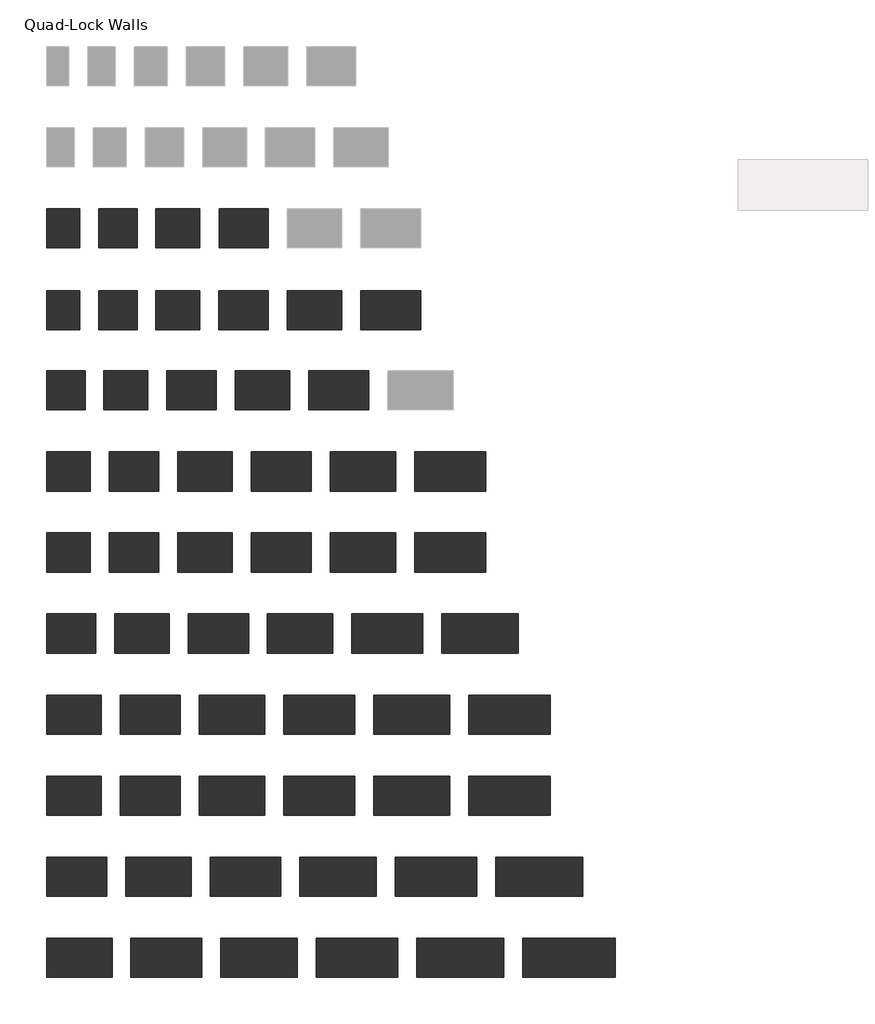
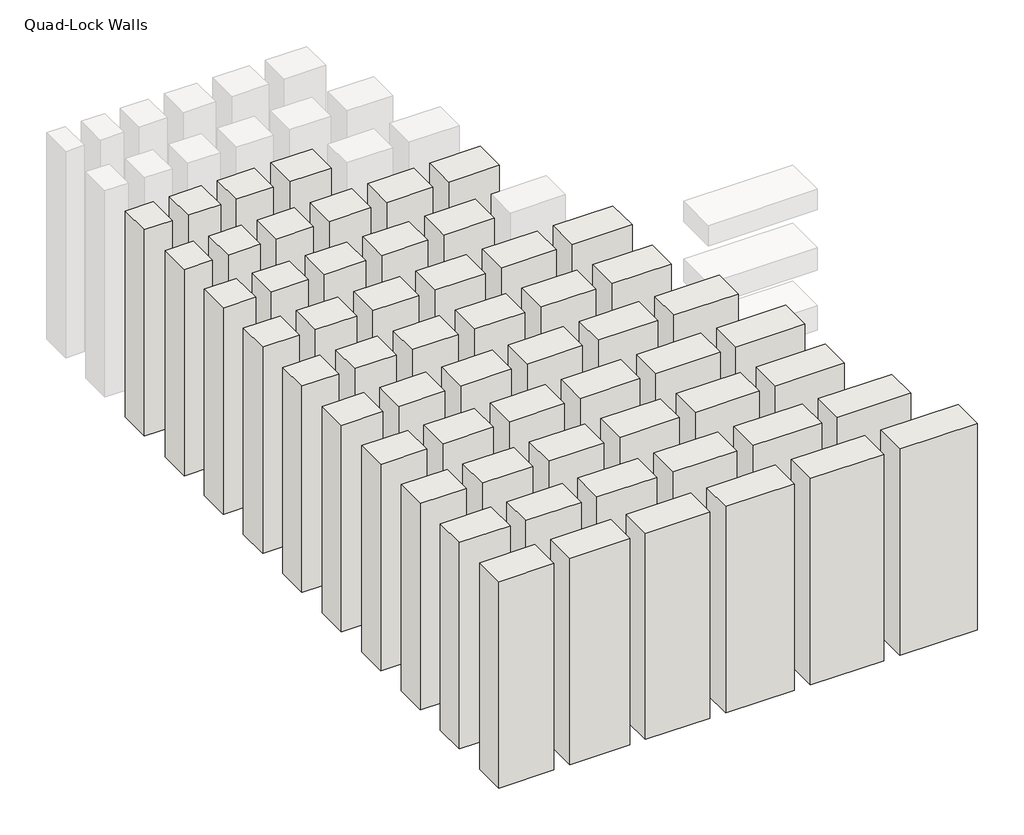
# One storey, part 1 of 2: 57 walls.
"""IFC4 building model written with IfcOpenShell, lengths in millimetres."""

from ifc_helpers import new_model, si_unit, origin, origin_with_axes, place, context, project, spatial, polyline, outline, extrude, element, save

model = new_model("IFC4")

# Units and contexts
model_context = context("Model", 3, world=origin())
ifc_project = project(units=[si_unit("LENGTHUNIT", "METRE", prefix="MILLI")], contexts=[model_context])

# Site, building, storey
site = spatial("IfcSite", under=ifc_project)
building = spatial("IfcBuilding", under=site)
storey = spatial("IfcBuildingStorey", under=building, Name="Quad-Lock Walls", Elevation=0.0)

# Walls
placement = place(None, origin())
element("IfcWall", 1, at=placement, inside=storey, context=model_context, shape_type="SweptSolid", body=[
    extrude(outline(polyline([(-3259.1237403, 1007.0746822), (-3259.1237403, 1375.3746822), (-2947.9737403, 1375.3746822), (-2947.9737403, 1007.0746822), (-3259.1237403, 1007.0746822)])), origin_with_axes(), (0.0, 0.0, 1.0), 2438.4),
])
element("IfcWall", 2, at=placement, inside=storey, context=model_context, shape_type="SweptSolid", body=[
    extrude(outline(polyline([(-2770.1737403, 1007.0746822), (-2770.1737403, 1375.3746822), (-2408.2237403, 1375.3746822), (-2408.2237403, 1007.0746822), (-2770.1737403, 1007.0746822)])), origin_with_axes(), (0.0, 0.0, 1.0), 2438.4),
])
element("IfcWall", 3, at=placement, inside=storey, context=model_context, shape_type="SweptSolid", body=[
    extrude(outline(polyline([(-2230.4237403, 1007.0746822), (-2230.4237403, 1375.3746822), (-1817.6737403, 1375.3746822), (-1817.6737403, 1007.0746822), (-2230.4237403, 1007.0746822)])), origin_with_axes(), (0.0, 0.0, 1.0), 2438.4),
])
element("IfcWall", 4, at=placement, inside=storey, context=model_context, shape_type="SweptSolid", body=[
    extrude(outline(polyline([(-1639.8737403, 1007.0746822), (-1639.8737403, 1375.3746822), (-1176.3237403, 1375.3746822), (-1176.3237403, 1007.0746822), (-1639.8737403, 1007.0746822)])), origin_with_axes(), (0.0, 0.0, 1.0), 2438.4),
])
element("IfcWall", 5, at=placement, inside=storey, context=model_context, shape_type="SweptSolid", body=[
    extrude(outline(polyline([(-998.5237403, 1007.0746822), (-998.5237403, 1375.3746822), (-484.1737403, 1375.3746822), (-484.1737403, 1007.0746822), (-998.5237403, 1007.0746822)])), origin_with_axes(), (0.0, 0.0, 1.0), 2438.4),
])
element("IfcWall", 6, at=placement, inside=storey, context=model_context, shape_type="SweptSolid", body=[
    extrude(outline(polyline([(-306.3737403, 1007.0746822), (-306.3737403, 1375.3746822), (258.7762597, 1375.3746822), (258.7762597, 1007.0746822), (-306.3737403, 1007.0746822)])), origin_with_axes(), (0.0, 0.0, 1.0), 2438.4),
])
element("IfcWall", 7, at=placement, inside=storey, context=model_context, shape_type="SweptSolid", body=[
    extrude(outline(polyline([(-3259.1237403, 1779.0390453), (-3259.1237403, 2147.3390453), (-2947.9737403, 2147.3390453), (-2947.9737403, 1779.0390453), (-3259.1237403, 1779.0390453)])), origin_with_axes(), (0.0, 0.0, 1.0), 2438.4),
])
element("IfcWall", 8, at=placement, inside=storey, context=model_context, shape_type="SweptSolid", body=[
    extrude(outline(polyline([(-2770.1737403, 1779.0390453), (-2770.1737403, 2147.3390453), (-2408.2237403, 2147.3390453), (-2408.2237403, 1779.0390453), (-2770.1737403, 1779.0390453)])), origin_with_axes(), (0.0, 0.0, 1.0), 2438.4),
])
element("IfcWall", 9, at=placement, inside=storey, context=model_context, shape_type="SweptSolid", body=[
    extrude(outline(polyline([(-2232.1518529, 1779.0390453), (-2232.1518529, 2147.3390453), (-1819.4018529, 2147.3390453), (-1819.4018529, 1779.0390453), (-2232.1518529, 1779.0390453)])), origin_with_axes(), (0.0, 0.0, 1.0), 2438.4),
])
element("IfcWall", 10, at=placement, inside=storey, context=model_context, shape_type="SweptSolid", body=[
    extrude(outline(polyline([(-1636.7697839, 1779.0390453), (-1636.7697839, 2147.3390453), (-1173.2197839, 2147.3390453), (-1173.2197839, 1779.0390453), (-1636.7697839, 1779.0390453)])), origin_with_axes(), (0.0, 0.0, 1.0), 2438.4),
])
element("IfcWall", 11, at=placement, inside=storey, context=model_context, shape_type="SweptSolid", body=[
    extrude(outline(polyline([(-3259.1237403, 255.0390453), (-3259.1237403, 623.3390453), (-2897.1737403, 623.3390453), (-2897.1737403, 255.0390453), (-3259.1237403, 255.0390453)])), origin_with_axes(), (0.0, 0.0, 1.0), 2438.4),
])
element("IfcWall", 12, at=placement, inside=storey, context=model_context, shape_type="SweptSolid", body=[
    extrude(outline(polyline([(-2719.3737403, 255.0390453), (-2719.3737403, 623.3390453), (-2306.6237403, 623.3390453), (-2306.6237403, 255.0390453), (-2719.3737403, 255.0390453)])), origin_with_axes(), (0.0, 0.0, 1.0), 2438.4),
])
element("IfcWall", 13, at=placement, inside=storey, context=model_context, shape_type="SweptSolid", body=[
    extrude(outline(polyline([(-2128.8237403, 255.0390453), (-2128.8237403, 623.3390453), (-1665.2737403, 623.3390453), (-1665.2737403, 255.0390453), (-2128.8237403, 255.0390453)])), origin_with_axes(), (0.0, 0.0, 1.0), 2438.4),
])
element("IfcWall", 14, at=placement, inside=storey, context=model_context, shape_type="SweptSolid", body=[
    extrude(outline(polyline([(-1487.4737403, 255.0390453), (-1487.4737403, 623.3390453), (-973.1237403, 623.3390453), (-973.1237403, 255.0390453), (-1487.4737403, 255.0390453)])), origin_with_axes(), (0.0, 0.0, 1.0), 2438.4),
])
element("IfcWall", 15, at=placement, inside=storey, context=model_context, shape_type="SweptSolid", body=[
    extrude(outline(polyline([(-795.3237403, 255.0390453), (-795.3237403, 623.3390453), (-230.1737403, 623.3390453), (-230.1737403, 255.0390453), (-795.3237403, 255.0390453)])), origin_with_axes(), (0.0, 0.0, 1.0), 2438.4),
])
element("IfcWall", 16, at=placement, inside=storey, context=model_context, shape_type="SweptSolid", body=[
    extrude(outline(polyline([(-3259.1237403, -506.9609547), (-3259.1237403, -138.6609547), (-2846.3737403, -138.6609547), (-2846.3737403, -506.9609547), (-3259.1237403, -506.9609547)])), origin_with_axes(), (0.0, 0.0, 1.0), 2438.4),
])
element("IfcWall", 17, at=placement, inside=storey, context=model_context, shape_type="SweptSolid", body=[
    extrude(outline(polyline([(-2668.5737403, -506.9609547), (-2668.5737403, -138.6609547), (-2205.0237403, -138.6609547), (-2205.0237403, -506.9609547), (-2668.5737403, -506.9609547)])), origin_with_axes(), (0.0, 0.0, 1.0), 2438.4),
])
element("IfcWall", 18, at=placement, inside=storey, context=model_context, shape_type="SweptSolid", body=[
    extrude(outline(polyline([(-1335.0737403, -506.9609547), (-1335.0737403, -138.6609547), (-769.9237403, -138.6609547), (-769.9237403, -506.9609547), (-1335.0737403, -506.9609547)])), origin_with_axes(), (0.0, 0.0, 1.0), 2438.4),
])
element("IfcWall", 19, at=placement, inside=storey, context=model_context, shape_type="SweptSolid", body=[
    extrude(outline(polyline([(-592.1237403, -506.9609547), (-592.1237403, -138.6609547), (23.8262597, -138.6609547), (23.8262597, -506.9609547), (-592.1237403, -506.9609547)])), origin_with_axes(), (0.0, 0.0, 1.0), 2438.4),
])
element("IfcWall", 20, at=placement, inside=storey, context=model_context, shape_type="SweptSolid", body=[
    extrude(outline(polyline([(201.6262597, -506.9609547), (201.6262597, -138.6609547), (868.3762597, -138.6609547), (868.3762597, -506.9609547), (201.6262597, -506.9609547)])), origin_with_axes(), (0.0, 0.0, 1.0), 2438.4),
])
element("IfcWall", 21, at=placement, inside=storey, context=model_context, shape_type="SweptSolid", body=[
    extrude(outline(polyline([(-3259.1237403, -1268.9609547), (-3259.1237403, -900.6609547), (-2846.3737403, -900.6609547), (-2846.3737403, -1268.9609547), (-3259.1237403, -1268.9609547)])), origin_with_axes(), (0.0, 0.0, 1.0), 2438.4),
])
element("IfcWall", 22, at=placement, inside=storey, context=model_context, shape_type="SweptSolid", body=[
    extrude(outline(polyline([(-2668.5737403, -1268.9609547), (-2668.5737403, -900.6609547), (-2205.0237403, -900.6609547), (-2205.0237403, -1268.9609547), (-2668.5737403, -1268.9609547)])), origin_with_axes(), (0.0, 0.0, 1.0), 2438.4),
])
element("IfcWall", 23, at=placement, inside=storey, context=model_context, shape_type="SweptSolid", body=[
    extrude(outline(polyline([(-1335.0737403, -1268.9609547), (-1335.0737403, -900.6609547), (-769.9237403, -900.6609547), (-769.9237403, -1268.9609547), (-1335.0737403, -1268.9609547)])), origin_with_axes(), (0.0, 0.0, 1.0), 2438.4),
])
element("IfcWall", 24, at=placement, inside=storey, context=model_context, shape_type="SweptSolid", body=[
    extrude(outline(polyline([(-592.1237403, -1268.9609547), (-592.1237403, -900.6609547), (23.8262597, -900.6609547), (23.8262597, -1268.9609547), (-592.1237403, -1268.9609547)])), origin_with_axes(), (0.0, 0.0, 1.0), 2438.4),
])
element("IfcWall", 25, at=placement, inside=storey, context=model_context, shape_type="SweptSolid", body=[
    extrude(outline(polyline([(201.6262597, -1268.9609547), (201.6262597, -900.6609547), (868.3762597, -900.6609547), (868.3762597, -1268.9609547), (201.6262597, -1268.9609547)])), origin_with_axes(), (0.0, 0.0, 1.0), 2438.4),
])
element("IfcWall", 26, at=placement, inside=storey, context=model_context, shape_type="SweptSolid", body=[
    extrude(outline(polyline([(-3259.1237403, -2030.9609547), (-3259.1237403, -1662.6609547), (-2795.5737403, -1662.6609547), (-2795.5737403, -2030.9609547), (-3259.1237403, -2030.9609547)])), origin_with_axes(), (0.0, 0.0, 1.0), 2438.4),
])
element("IfcWall", 27, at=placement, inside=storey, context=model_context, shape_type="SweptSolid", body=[
    extrude(outline(polyline([(-2027.2237403, -506.9609547), (-2027.2237403, -138.6609547), (-1512.8737403, -138.6609547), (-1512.8737403, -506.9609547), (-2027.2237403, -506.9609547)])), origin_with_axes(), (0.0, 0.0, 1.0), 2438.4),
])
element("IfcWall", 28, at=placement, inside=storey, context=model_context, shape_type="SweptSolid", body=[
    extrude(outline(polyline([(-2027.2237403, -1268.9609547), (-2027.2237403, -900.6609547), (-1512.8737403, -900.6609547), (-1512.8737403, -1268.9609547), (-2027.2237403, -1268.9609547)])), origin_with_axes(), (0.0, 0.0, 1.0), 2438.4),
])
element("IfcWall", 29, at=placement, inside=storey, context=model_context, shape_type="SweptSolid", body=[
    extrude(outline(polyline([(-2617.7737403, -2030.9609547), (-2617.7737403, -1662.6609547), (-2103.4237403, -1662.6609547), (-2103.4237403, -2030.9609547), (-2617.7737403, -2030.9609547)])), origin_with_axes(), (0.0, 0.0, 1.0), 2438.4),
])
element("IfcWall", 30, at=placement, inside=storey, context=model_context, shape_type="SweptSolid", body=[
    extrude(outline(polyline([(-1925.6237403, -2030.9609547), (-1925.6237403, -1662.6609547), (-1360.4737403, -1662.6609547), (-1360.4737403, -2030.9609547), (-1925.6237403, -2030.9609547)])), origin_with_axes(), (0.0, 0.0, 1.0), 2438.4),
])
element("IfcWall", 31, at=placement, inside=storey, context=model_context, shape_type="SweptSolid", body=[
    extrude(outline(polyline([(-1182.6737403, -2030.9609547), (-1182.6737403, -1662.6609547), (-566.7237403, -1662.6609547), (-566.7237403, -2030.9609547), (-1182.6737403, -2030.9609547)])), origin_with_axes(), (0.0, 0.0, 1.0), 2438.4),
])
element("IfcWall", 32, at=placement, inside=storey, context=model_context, shape_type="SweptSolid", body=[
    extrude(outline(polyline([(-388.9237403, -2030.9609547), (-388.9237403, -1662.6609547), (277.8262597, -1662.6609547), (277.8262597, -2030.9609547), (-388.9237403, -2030.9609547)])), origin_with_axes(), (0.0, 0.0, 1.0), 2438.4),
])
element("IfcWall", 33, at=placement, inside=storey, context=model_context, shape_type="SweptSolid", body=[
    extrude(outline(polyline([(455.6262597, -2030.9609547), (455.6262597, -1662.6609547), (1173.1762597, -1662.6609547), (1173.1762597, -2030.9609547), (455.6262597, -2030.9609547)])), origin_with_axes(), (0.0, 0.0, 1.0), 2438.4),
])
element("IfcWall", 34, at=placement, inside=storey, context=model_context, shape_type="SweptSolid", body=[
    extrude(outline(polyline([(-3259.1237403, -2792.9609547), (-3259.1237403, -2424.6609547), (-2744.7737403, -2424.6609547), (-2744.7737403, -2792.9609547), (-3259.1237403, -2792.9609547)])), origin_with_axes(), (0.0, 0.0, 1.0), 2438.4),
])
element("IfcWall", 35, at=placement, inside=storey, context=model_context, shape_type="SweptSolid", body=[
    extrude(outline(polyline([(-2566.9737403, -2792.9609547), (-2566.9737403, -2424.6609547), (-2001.8237403, -2424.6609547), (-2001.8237403, -2792.9609547), (-2566.9737403, -2792.9609547)])), origin_with_axes(), (0.0, 0.0, 1.0), 2438.4),
])
element("IfcWall", 36, at=placement, inside=storey, context=model_context, shape_type="SweptSolid", body=[
    extrude(outline(polyline([(-1824.0237403, -2792.9609547), (-1824.0237403, -2424.6609547), (-1208.0737403, -2424.6609547), (-1208.0737403, -2792.9609547), (-1824.0237403, -2792.9609547)])), origin_with_axes(), (0.0, 0.0, 1.0), 2438.4),
])
element("IfcWall", 37, at=placement, inside=storey, context=model_context, shape_type="SweptSolid", body=[
    extrude(outline(polyline([(-1030.2737403, -2792.9609547), (-1030.2737403, -2424.6609547), (-363.5237403, -2424.6609547), (-363.5237403, -2792.9609547), (-1030.2737403, -2792.9609547)])), origin_with_axes(), (0.0, 0.0, 1.0), 2438.4),
])
element("IfcWall", 38, at=placement, inside=storey, context=model_context, shape_type="SweptSolid", body=[
    extrude(outline(polyline([(-185.7237403, -2792.9609547), (-185.7237403, -2424.6609547), (531.8262597, -2424.6609547), (531.8262597, -2792.9609547), (-185.7237403, -2792.9609547)])), origin_with_axes(), (0.0, 0.0, 1.0), 2438.4),
])
element("IfcWall", 39, at=placement, inside=storey, context=model_context, shape_type="SweptSolid", body=[
    extrude(outline(polyline([(709.6262597, -2792.9609547), (709.6262597, -2424.6609547), (1477.9762597, -2424.6609547), (1477.9762597, -2792.9609547), (709.6262597, -2792.9609547)])), origin_with_axes(), (0.0, 0.0, 1.0), 2438.4),
])
element("IfcWall", 40, at=placement, inside=storey, context=model_context, shape_type="SweptSolid", body=[
    extrude(outline(polyline([(-3259.1237403, -3554.9609547), (-3259.1237403, -3186.6609547), (-2744.7737403, -3186.6609547), (-2744.7737403, -3554.9609547), (-3259.1237403, -3554.9609547)])), origin_with_axes(), (0.0, 0.0, 1.0), 2438.4),
])
element("IfcWall", 41, at=placement, inside=storey, context=model_context, shape_type="SweptSolid", body=[
    extrude(outline(polyline([(-2566.9737403, -3554.9609547), (-2566.9737403, -3186.6609547), (-2001.8237403, -3186.6609547), (-2001.8237403, -3554.9609547), (-2566.9737403, -3554.9609547)])), origin_with_axes(), (0.0, 0.0, 1.0), 2438.4),
])
element("IfcWall", 42, at=placement, inside=storey, context=model_context, shape_type="SweptSolid", body=[
    extrude(outline(polyline([(-1824.0237403, -3554.9609547), (-1824.0237403, -3186.6609547), (-1208.0737403, -3186.6609547), (-1208.0737403, -3554.9609547), (-1824.0237403, -3554.9609547)])), origin_with_axes(), (0.0, 0.0, 1.0), 2438.4),
])
element("IfcWall", 43, at=placement, inside=storey, context=model_context, shape_type="SweptSolid", body=[
    extrude(outline(polyline([(-1030.2737403, -3554.9609547), (-1030.2737403, -3186.6609547), (-363.5237403, -3186.6609547), (-363.5237403, -3554.9609547), (-1030.2737403, -3554.9609547)])), origin_with_axes(), (0.0, 0.0, 1.0), 2438.4),
])
element("IfcWall", 44, at=placement, inside=storey, context=model_context, shape_type="SweptSolid", body=[
    extrude(outline(polyline([(-185.7237403, -3554.9609547), (-185.7237403, -3186.6609547), (531.8262597, -3186.6609547), (531.8262597, -3554.9609547), (-185.7237403, -3554.9609547)])), origin_with_axes(), (0.0, 0.0, 1.0), 2438.4),
])
element("IfcWall", 45, at=placement, inside=storey, context=model_context, shape_type="SweptSolid", body=[
    extrude(outline(polyline([(709.6262597, -3554.9609547), (709.6262597, -3186.6609547), (1477.9762597, -3186.6609547), (1477.9762597, -3554.9609547), (709.6262597, -3554.9609547)])), origin_with_axes(), (0.0, 0.0, 1.0), 2438.4),
])
element("IfcWall", 46, at=placement, inside=storey, context=model_context, shape_type="SweptSolid", body=[
    extrude(outline(polyline([(-3259.1237403, -4316.9609547), (-3259.1237403, -3948.6609547), (-2693.9737403, -3948.6609547), (-2693.9737403, -4316.9609547), (-3259.1237403, -4316.9609547)])), origin_with_axes(), (0.0, 0.0, 1.0), 2438.4),
])
element("IfcWall", 47, at=placement, inside=storey, context=model_context, shape_type="SweptSolid", body=[
    extrude(outline(polyline([(-2516.1737403, -4316.9609547), (-2516.1737403, -3948.6609547), (-1900.2237403, -3948.6609547), (-1900.2237403, -4316.9609547), (-2516.1737403, -4316.9609547)])), origin_with_axes(), (0.0, 0.0, 1.0), 2438.4),
])
element("IfcWall", 48, at=placement, inside=storey, context=model_context, shape_type="SweptSolid", body=[
    extrude(outline(polyline([(-1722.4237403, -4316.9609547), (-1722.4237403, -3948.6609547), (-1055.6737403, -3948.6609547), (-1055.6737403, -4316.9609547), (-1722.4237403, -4316.9609547)])), origin_with_axes(), (0.0, 0.0, 1.0), 2438.4),
])
element("IfcWall", 49, at=placement, inside=storey, context=model_context, shape_type="SweptSolid", body=[
    extrude(outline(polyline([(-877.8737403, -4316.9609547), (-877.8737403, -3948.6609547), (-160.3237403, -3948.6609547), (-160.3237403, -4316.9609547), (-877.8737403, -4316.9609547)])), origin_with_axes(), (0.0, 0.0, 1.0), 2438.4),
])
element("IfcWall", 50, at=placement, inside=storey, context=model_context, shape_type="SweptSolid", body=[
    extrude(outline(polyline([(17.4762597, -4316.9609547), (17.4762597, -3948.6609547), (785.8262597, -3948.6609547), (785.8262597, -4316.9609547), (17.4762597, -4316.9609547)])), origin_with_axes(), (0.0, 0.0, 1.0), 2438.4),
])
element("IfcWall", 51, at=placement, inside=storey, context=model_context, shape_type="SweptSolid", body=[
    extrude(outline(polyline([(963.6262597, -4316.9609547), (963.6262597, -3948.6609547), (1782.7762597, -3948.6609547), (1782.7762597, -4316.9609547), (963.6262597, -4316.9609547)])), origin_with_axes(), (0.0, 0.0, 1.0), 2438.4),
])
element("IfcWall", 52, at=placement, inside=storey, context=model_context, shape_type="SweptSolid", body=[
    extrude(outline(polyline([(-3259.1237403, -5078.9609547), (-3259.1237403, -4710.6609547), (-2643.1737403, -4710.6609547), (-2643.1737403, -5078.9609547), (-3259.1237403, -5078.9609547)])), origin_with_axes(), (0.0, 0.0, 1.0), 2438.4),
])
element("IfcWall", 53, at=placement, inside=storey, context=model_context, shape_type="SweptSolid", body=[
    extrude(outline(polyline([(-2465.3737403, -5078.9609547), (-2465.3737403, -4710.6609547), (-1798.6237403, -4710.6609547), (-1798.6237403, -5078.9609547), (-2465.3737403, -5078.9609547)])), origin_with_axes(), (0.0, 0.0, 1.0), 2438.4),
])
element("IfcWall", 54, at=placement, inside=storey, context=model_context, shape_type="SweptSolid", body=[
    extrude(outline(polyline([(-1620.8237403, -5078.9609547), (-1620.8237403, -4710.6609547), (-903.2737403, -4710.6609547), (-903.2737403, -5078.9609547), (-1620.8237403, -5078.9609547)])), origin_with_axes(), (0.0, 0.0, 1.0), 2438.4),
])
element("IfcWall", 55, at=placement, inside=storey, context=model_context, shape_type="SweptSolid", body=[
    extrude(outline(polyline([(-725.4737403, -5078.9609547), (-725.4737403, -4710.6609547), (42.8762597, -4710.6609547), (42.8762597, -5078.9609547), (-725.4737403, -5078.9609547)])), origin_with_axes(), (0.0, 0.0, 1.0), 2438.4),
])
element("IfcWall", 56, at=placement, inside=storey, context=model_context, shape_type="SweptSolid", body=[
    extrude(outline(polyline([(220.6762597, -5078.9609547), (220.6762597, -4710.6609547), (1039.8262597, -4710.6609547), (1039.8262597, -5078.9609547), (220.6762597, -5078.9609547)])), origin_with_axes(), (0.0, 0.0, 1.0), 2438.4),
])
element("IfcWall", 57, at=placement, inside=storey, context=model_context, shape_type="SweptSolid", body=[
    extrude(outline(polyline([(1217.6262597, -5078.9609547), (1217.6262597, -4710.6609547), (2087.5762597, -4710.6609547), (2087.5762597, -5078.9609547), (1217.6262597, -5078.9609547)])), origin_with_axes(), (0.0, 0.0, 1.0), 2438.4),
])

save(model, "model.ifc")
